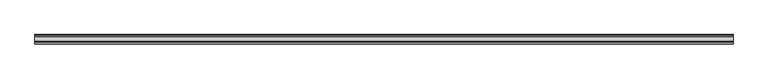
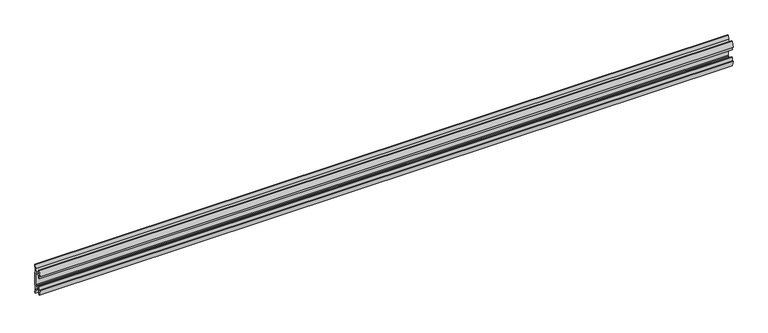
"""IFC4 building model written with IfcOpenShell, lengths in millimetres: furniture geometry."""

from ifc_helpers import new_model, si_unit, point, frame, frame_2d, origin, place, context, project, spatial, polyline, circle_curve, trimmed, segment, composite_curve, outline, extrude, source, transform, mapped, element, save


def furniture_886b8756(model_context):
    return source(origin(), model_context, "Body", "SweptSolid", [
        extrude(outline(composite_curve([segment(polyline([(11.858323, 1787.0845986), (10.7166987, 1781.1251626)]), True, "CONTINUOUS"), segment(trimmed(circle_curve(frame_2d((88.1501042, 1766.291568)), 78.8414093), [point((10.7166987, 1781.1251626))], [point((9.4546262, 1771.0863112))], True, "CARTESIAN"), True, "CONTINUOUS"), segment(polyline([(9.4546262, 1771.0863112), (11.4773198, 1769.0636177), (11.4773198, 1736.1363823), (9.4546262, 1734.1136888)]), True, "CONTINUOUS"), segment(trimmed(circle_curve(frame_2d((88.1501042, 1738.908432)), 78.8414093), [point((9.4546262, 1734.1136888))], [point((10.7166987, 1724.0748374))], True, "CARTESIAN"), True, "CONTINUOUS"), segment(polyline([(10.7166987, 1724.0748374), (11.858323, 1718.1154014), (11.858323, 1714.5006449), (9.3183016, 1714.5006449), (7.5671861, 1723.641709), (6.9977776, 1730.3354675), (-5.9218281, 1730.3354675), (-5.9218281, 1719.7705449), (-8.4618484, 1719.7705449), (-11.7914971, 1733.2790462), (-8.4618484, 1732.2801511), (-8.4618484, 1741.8052306), (-5.9218281, 1741.8052306), (-5.9218281, 1732.915155), (6.7782802, 1732.915155), (6.7782802, 1735.469689), (8.8976323, 1737.3120136), (8.8976323, 1767.8910348), (6.7782802, 1769.7454685), (-5.2868484, 1769.7454685), (-5.2868484, 1763.3954144), (-8.4618484, 1763.3954144), (-8.4618484, 1772.9204939), (-11.858323, 1771.6504837), (-8.4618484, 1785.4301), (-5.2868484, 1785.4301), (-5.2868484, 1772.2854899), (6.7782802, 1772.2854899), (7.5671861, 1781.5595809), (9.3183016, 1790.7006449), (11.858323, 1790.7006449), (11.858323, 1787.0845986)]), True, "CONTINUOUS")], self_intersect=False)), frame((-889.0, 0.0, 0.0), z_axis=(1.0, 0.0, 0.0), x_axis=(0.0, 1.0, 0.0)), (0.0, 0.0, 1.0), 1778.0),
    ])


if __name__ == "__main__":
    model = new_model("IFC4")
    model_context = context("Model", 3, world=origin())
    ifc_project = project(units=[si_unit("LENGTHUNIT", "METRE", prefix="MILLI")], contexts=[model_context])
    site = spatial("IfcSite", under=ifc_project)
    building = spatial("IfcBuilding", under=site)
    placement = place(None, origin())
    furniture_shape = furniture_886b8756(model_context)
    element("IfcFurniture", 1, at=placement, inside=building, context=model_context, shape_type="MappedRepresentation", body=[
        mapped(furniture_shape, transform((0.0, 0.0, 0.0), x_axis=(1.0, 0.0, 0.0), y_axis=(0.0, 1.0, 0.0), z_axis=(0.0, 0.0, 1.0))),
    ])
    save(model, "model.ifc")
